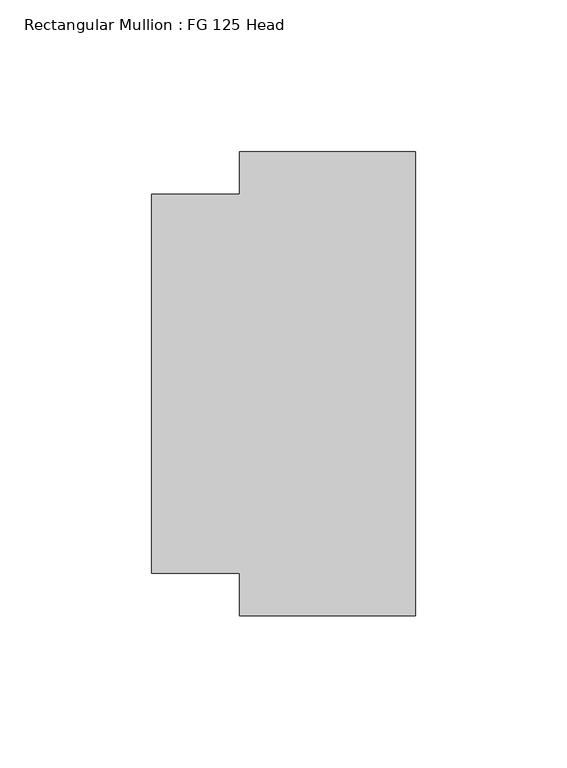
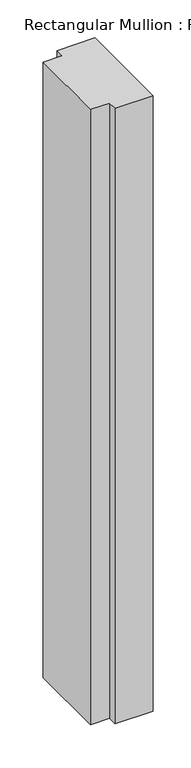
"""IFC4 building model written with IfcOpenShell, lengths in millimetres: member geometry, Rectangular Mullion : FG 125 Head."""

from ifc_helpers import new_model, si_unit, frame, origin, place, context, project, spatial, polyline, outline, extrude, source, transform, mapped, element, save


def rectangular_mullion_fg_125_head_c5b3e201(model_context):
    return source(origin(), model_context, "Body", "SweptSolid", [
        extrude(outline(polyline([(0.0, -76.5), (-58.0, -76.5), (-58.0, -62.4946881), (-87.0, -62.4946881), (-87.0, 62.5054723), (-58.0, 62.5054723), (-58.0, 76.5054723), (0.0, 76.5054723), (0.0, -76.5)])), frame((0.0, 0.0, -989.166723), z_axis=(0.0, 0.0, 1.0), x_axis=(1.0, 0.0, 0.0)), (0.0, 0.0, 1.0), 989.166723),
    ])


if __name__ == "__main__":
    model = new_model("IFC4")
    model_context = context("Model", 3, world=origin())
    ifc_project = project(units=[si_unit("LENGTHUNIT", "METRE", prefix="MILLI")], contexts=[model_context])
    site = spatial("IfcSite", under=ifc_project)
    building = spatial("IfcBuilding", under=site)
    placement = place(None, origin())
    rectangular_mullion_fg_125_head_shape = rectangular_mullion_fg_125_head_c5b3e201(model_context)
    element("IfcMember", 1, ObjectType="Rectangular Mullion : FG 125 Head", at=placement, inside=building, context=model_context, shape_type="MappedRepresentation", body=[
        mapped(rectangular_mullion_fg_125_head_shape, transform((0.0, 0.0, 0.0), x_axis=(1.0, 0.0, 0.0), y_axis=(0.0, 1.0, 0.0), z_axis=(0.0, 0.0, 1.0))),
    ])
    save(model, "model.ifc")
